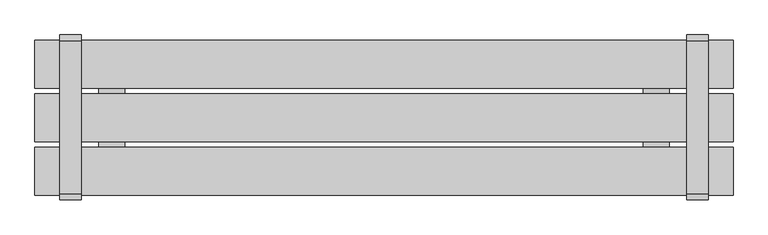
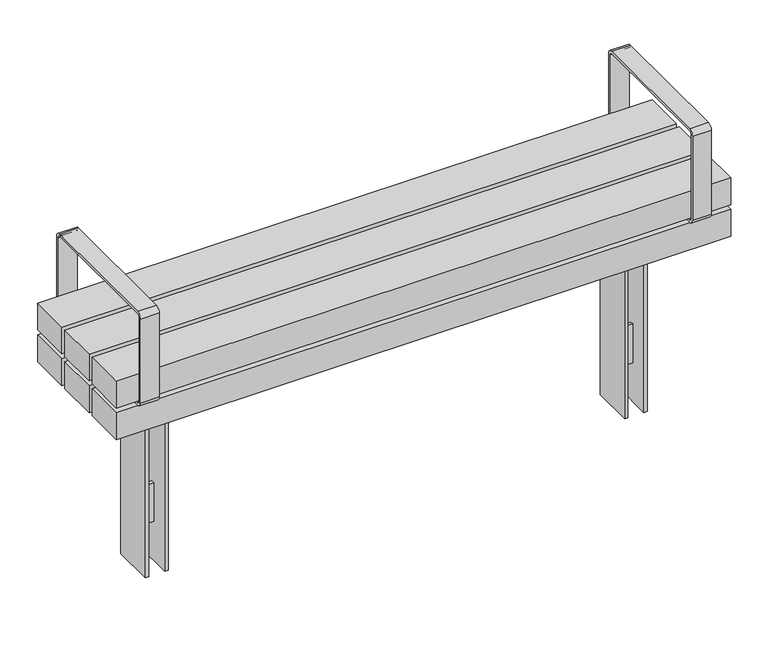
"""IFC4 building model written with IfcOpenShell, lengths in millimetres: furniture geometry."""

from ifc_helpers import new_model, si_unit, point, frame, frame_2d, origin, place, context, project, spatial, polyline, circle_curve, trimmed, segment, composite_curve, outline, extrude, faceted_brep, source, transform, mapped, element, save


def furniture_43c6b12d(model_context):
    return source(origin(), model_context, "Body", "SolidModel", [
        faceted_brep([(-678.5975006, -5.0, -60.0), (-725.6380966, -5.0, -60.0), (-725.6380966, -5.0, -180.0), (-678.5975006, -5.0, -180.0), (-678.5975006, 5.0, -180.0), (-725.6380966, 5.0, -180.0), (-725.6380966, 5.0, -60.0), (-678.5975006, 5.0, -60.0), (-785.6380966, -61.5083224, 258.7167987), (-735.6380966, -61.5083224, 258.7167987), (-735.6380966, -61.5083224, -300.0), (-725.6380966, -61.5083224, -300.0), (-725.6380966, -61.5083224, 268.7167987), (-785.6380966, -61.5083224, 268.7167987), (-618.5975006, -61.5083224, 258.7167987), (-618.5975006, -61.5083224, 268.7167987), (-678.5975006, -61.5083224, 268.7167987), (-678.5975006, -61.5083224, -300.0), (-668.5975006, -61.5083224, -300.0), (-668.5975006, -61.5083224, 258.7167987), (-618.5975006, 61.5083654, 258.7167987), (-668.5975006, 61.5083654, 258.7167987), (-668.5975006, 61.5083654, -300.0), (-678.5975006, 61.5083654, -300.0), (-678.5975006, 61.5083654, 268.7167987), (-618.5975006, 61.5083654, 268.7167987), (-785.6380966, 61.5083654, 258.7167987), (-785.6380966, 61.5083654, 268.7167987), (-725.6380966, 61.5083654, 268.7167987), (-725.6380966, 61.5083654, -300.0), (-735.6380966, 61.5083654, -300.0), (-735.6380966, 61.5083654, 258.7167987)], [[[0, 1, 2, 3]], [[4, 5, 6, 7]], [[1, 0, 7, 6]], [[3, 2, 5, 4]], [[8, 9, 10, 11, 12, 13]], [[14, 15, 16, 17, 18, 19]], [[20, 21, 22, 23, 24, 25]], [[26, 27, 28, 29, 30, 31]], [[9, 8, 26, 31]], [[10, 9, 31, 30]], [[19, 18, 22, 21]], [[14, 19, 21, 20]], [[15, 14, 20, 25]], [[16, 15, 25, 24]], [[17, 16, 24, 23], [0, 3, 4, 7]], [[12, 11, 29, 28], [2, 1, 6, 5]], [[13, 12, 28, 27]], [[8, 13, 27, 26]], [[11, 10, 30, 29]], [[18, 17, 23, 22]]]),
        faceted_brep([(725.6380966, -5.0, -60.0), (678.5975006, -5.0, -60.0), (678.5975006, -5.0, -180.0), (725.6380966, -5.0, -180.0), (725.6380966, 5.0, -180.0), (678.5975006, 5.0, -180.0), (678.5975006, 5.0, -60.0), (725.6380966, 5.0, -60.0), (785.6380966, -61.5083224, 258.7167987), (785.6380966, -61.5083224, 268.7167987), (725.6380966, -61.5083224, 268.7167987), (725.6380966, -61.5083224, -300.0), (735.6380966, -61.5083224, -300.0), (735.6380966, -61.5083224, 258.7167987), (618.5975006, -61.5083224, 258.7167987), (668.5975006, -61.5083224, 258.7167987), (668.5975006, -61.5083224, -300.0), (678.5975006, -61.5083224, -300.0), (678.5975006, -61.5083224, 268.7167987), (618.5975006, -61.5083224, 268.7167987), (785.6380966, 61.5083654, 258.7167987), (735.6380966, 61.5083654, 258.7167987), (735.6380966, 61.5083654, -300.0), (725.6380966, 61.5083654, -300.0), (725.6380966, 61.5083654, 268.7167987), (785.6380966, 61.5083654, 268.7167987), (618.5975006, 61.5083654, 258.7167987), (618.5975006, 61.5083654, 268.7167987), (678.5975006, 61.5083654, 268.7167987), (678.5975006, 61.5083654, -300.0), (668.5975006, 61.5083654, -300.0), (668.5975006, 61.5083654, 258.7167987)], [[[0, 1, 2, 3]], [[4, 5, 6, 7]], [[1, 0, 7, 6]], [[3, 2, 5, 4]], [[8, 9, 10, 11, 12, 13]], [[14, 15, 16, 17, 18, 19]], [[20, 21, 22, 23, 24, 25]], [[26, 27, 28, 29, 30, 31]], [[9, 8, 20, 25]], [[10, 9, 25, 24]], [[11, 10, 24, 23], [0, 3, 4, 7]], [[12, 11, 23, 22]], [[13, 12, 22, 21]], [[8, 13, 21, 20]], [[15, 14, 26, 31]], [[16, 15, 31, 30]], [[17, 16, 30, 29]], [[18, 17, 29, 28], [2, 1, 6, 5]], [[19, 18, 28, 27]], [[14, 19, 27, 26]]]),
        extrude(outline(composite_curve([segment(polyline([(198.4124417, 351.8217453), (-196.5875583, 351.8217453)]), True, "CONTINUOUS"), segment(trimmed(circle_curve(frame_2d((-196.5875583, 366.8217453)), 15.0), [point((-196.5875583, 351.8217453))], [point((-211.5875583, 366.8217453))], False, "CARTESIAN"), True, "CONTINUOUS"), segment(polyline([(-211.5875583, 366.8217453), (-211.5875583, 626.8217453)]), True, "CONTINUOUS"), segment(trimmed(circle_curve(frame_2d((-196.5875583, 626.8217453)), 15.0), [point((-211.5875583, 626.8217453))], [point((-196.5875583, 641.8217453))], False, "CARTESIAN"), True, "CONTINUOUS"), segment(polyline([(-196.5875583, 641.8217453), (198.4124417, 641.8217453)]), True, "CONTINUOUS"), segment(trimmed(circle_curve(frame_2d((198.4124417, 626.8217453)), 15.0), [point((198.4124417, 641.8217453))], [point((213.4124417, 626.8217453))], False, "CARTESIAN"), True, "CONTINUOUS"), segment(polyline([(213.4124417, 626.8217453), (213.4124417, 366.8217453)]), True, "CONTINUOUS"), segment(trimmed(circle_curve(frame_2d((198.4124417, 366.8217453)), 15.0), [point((213.4124417, 366.8217453))], [point((198.4124417, 351.8217453))], False, "CARTESIAN"), True, "CONTINUOUS")], self_intersect=False), holes=[composite_curve([segment(trimmed(circle_curve(frame_2d((-196.5875583, 366.8217453)), 6.5), [point((-203.0875583, 366.8217453))], [point((-196.5875583, 360.3217453))], True, "CARTESIAN"), True, "CONTINUOUS"), segment(polyline([(-196.5875583, 360.3217453), (198.4124417, 360.3217453)]), True, "CONTINUOUS"), segment(trimmed(circle_curve(frame_2d((198.4124417, 366.8217453)), 6.5), [point((198.4124417, 360.3217453))], [point((204.9124417, 366.8217453))], True, "CARTESIAN"), True, "CONTINUOUS"), segment(polyline([(204.9124417, 366.8217453), (204.9124417, 626.8217453)]), True, "CONTINUOUS"), segment(trimmed(circle_curve(frame_2d((198.4124417, 626.8217453)), 6.5), [point((204.9124417, 626.8217453))], [point((198.4124417, 633.3217453))], True, "CARTESIAN"), True, "CONTINUOUS"), segment(polyline([(198.4124417, 633.3217453), (-196.5875583, 633.3217453)]), True, "CONTINUOUS"), segment(trimmed(circle_curve(frame_2d((-196.5875583, 626.8217453)), 6.5), [point((-196.5875583, 633.3217453))], [point((-203.0875583, 626.8217453))], True, "CARTESIAN"), True, "CONTINUOUS"), segment(polyline([(-203.0875583, 626.8217453), (-203.0875583, 366.8217453)]), True, "CONTINUOUS")], self_intersect=False)]), frame((-836.1291871, 0.0, 0.0), z_axis=(1.0, 0.0, 0.0), x_axis=(0.0, 1.0, 0.0)), (0.0, 0.0, 1.0), 55.0),
        extrude(outline(polyline([(351.8217453, 900.0000373), (351.8217453, -900.0), (268.7167987, -900.0), (268.7167987, 900.0000373), (351.8217453, 900.0000373)]), holes=[polyline([(339.8217453, -888.0), (339.8217453, 888.0), (280.7167987, 888.0), (280.7167987, -888.0), (339.8217453, -888.0)])]), frame((0.0, -61.5000218, 0.0), z_axis=(0.0, 1.0, 0.0), x_axis=(0.0, 0.0, 1.0)), (0.0, 0.0, 1.0), 123.0000435),
        extrude(outline(composite_curve([segment(polyline([(198.4124417, 351.8217453), (-196.5875583, 351.8217453)]), True, "CONTINUOUS"), segment(trimmed(circle_curve(frame_2d((-196.5875583, 366.8217453)), 15.0), [point((-196.5875583, 351.8217453))], [point((-211.5875583, 366.8217453))], False, "CARTESIAN"), True, "CONTINUOUS"), segment(polyline([(-211.5875583, 366.8217453), (-211.5875583, 626.8217453)]), True, "CONTINUOUS"), segment(trimmed(circle_curve(frame_2d((-196.5875583, 626.8217453)), 15.0), [point((-211.5875583, 626.8217453))], [point((-196.5875583, 641.8217453))], False, "CARTESIAN"), True, "CONTINUOUS"), segment(polyline([(-196.5875583, 641.8217453), (198.4124417, 641.8217453)]), True, "CONTINUOUS"), segment(trimmed(circle_curve(frame_2d((198.4124417, 626.8217453)), 15.0), [point((198.4124417, 641.8217453))], [point((213.4124417, 626.8217453))], False, "CARTESIAN"), True, "CONTINUOUS"), segment(polyline([(213.4124417, 626.8217453), (213.4124417, 366.8217453)]), True, "CONTINUOUS"), segment(trimmed(circle_curve(frame_2d((198.4124417, 366.8217453)), 15.0), [point((213.4124417, 366.8217453))], [point((198.4124417, 351.8217453))], False, "CARTESIAN"), True, "CONTINUOUS")], self_intersect=False), holes=[composite_curve([segment(trimmed(circle_curve(frame_2d((-196.5875583, 366.8217453)), 6.5), [point((-203.0875583, 366.8217453))], [point((-196.5875583, 360.3217453))], True, "CARTESIAN"), True, "CONTINUOUS"), segment(polyline([(-196.5875583, 360.3217453), (198.4124417, 360.3217453)]), True, "CONTINUOUS"), segment(trimmed(circle_curve(frame_2d((198.4124417, 366.8217453)), 6.5), [point((198.4124417, 360.3217453))], [point((204.9124417, 366.8217453))], True, "CARTESIAN"), True, "CONTINUOUS"), segment(polyline([(204.9124417, 366.8217453), (204.9124417, 626.8217453)]), True, "CONTINUOUS"), segment(trimmed(circle_curve(frame_2d((198.4124417, 626.8217453)), 6.5), [point((204.9124417, 626.8217453))], [point((198.4124417, 633.3217453))], True, "CARTESIAN"), True, "CONTINUOUS"), segment(polyline([(198.4124417, 633.3217453), (-196.5875583, 633.3217453)]), True, "CONTINUOUS"), segment(trimmed(circle_curve(frame_2d((-196.5875583, 626.8217453)), 6.5), [point((-196.5875583, 633.3217453))], [point((-203.0875583, 626.8217453))], True, "CARTESIAN"), True, "CONTINUOUS"), segment(polyline([(-203.0875583, 626.8217453), (-203.0875583, 366.8217453)]), True, "CONTINUOUS")], self_intersect=False)]), frame((781.1291871, 0.0, 0.0), z_axis=(1.0, 0.0, 0.0), x_axis=(0.0, 1.0, 0.0)), (0.0, 0.0, 1.0), 55.0),
        extrude(outline(polyline([(900.0, -76.5174894), (900.0, -199.5174894), (-900.0, -199.5174894), (-900.0, -76.5174894), (900.0, -76.5174894)])), frame((0.0, 0.0, 366.8258682), z_axis=(0.0, 0.0, 1.0), x_axis=(1.0, 0.0, 0.0)), (0.0, 0.0, 1.0), 83.1049466),
        extrude(outline(polyline([(900.0, 61.4888479), (900.0, -61.5111521), (-900.0, -61.5111521), (-900.0, 61.4888479), (900.0, 61.4888479)])), frame((0.0, 0.0, 366.8258682), z_axis=(0.0, 0.0, 1.0), x_axis=(1.0, 0.0, 0.0)), (0.0, 0.0, 1.0), 83.1049466),
        extrude(outline(polyline([(900.0, 199.4999782), (900.0, 76.4999782), (-900.0, 76.4999782), (-900.0, 199.4999782), (900.0, 199.4999782)])), frame((0.0, 0.0, 366.8258682), z_axis=(0.0, 0.0, 1.0), x_axis=(1.0, 0.0, 0.0)), (0.0, 0.0, 1.0), 83.1049466),
        extrude(outline(polyline([(900.0, -76.5174894), (900.0, -199.5174894), (-900.0, -199.5174894), (-900.0, -76.5174894), (900.0, -76.5174894)])), frame((0.0, 0.0, 268.7167987), z_axis=(0.0, 0.0, 1.0), x_axis=(1.0, 0.0, 0.0)), (0.0, 0.0, 1.0), 83.1049466),
        extrude(outline(polyline([(900.0, 199.4999782), (900.0, 76.4999782), (-900.0, 76.4999782), (-900.0, 199.4999782), (900.0, 199.4999782)])), frame((0.0, 0.0, 268.7167987), z_axis=(0.0, 0.0, 1.0), x_axis=(1.0, 0.0, 0.0)), (0.0, 0.0, 1.0), 83.1049466),
        extrude(outline(polyline([(735.4649994, -171.2111197), (668.4244034, -171.2111197), (668.4244034, 168.7288553), (735.4649994, 168.7288553), (735.4649994, -171.2111197)])), frame((0.0, 0.0, 351.8217453), z_axis=(0.0, 0.0, 1.0), x_axis=(1.0, 0.0, 0.0)), (0.0, 0.0, 1.0), 15.004123),
        extrude(outline(polyline([(-668.5975006, -171.2111197), (-735.6380966, -171.2111197), (-735.6380966, 168.7288553), (-668.5975006, 168.7288553), (-668.5975006, -171.2111197)])), frame((0.0, 0.0, 351.8217453), z_axis=(0.0, 0.0, 1.0), x_axis=(1.0, 0.0, 0.0)), (0.0, 0.0, 1.0), 15.004123),
    ])


if __name__ == "__main__":
    model = new_model("IFC4")
    model_context = context("Model", 3, world=origin())
    ifc_project = project(units=[si_unit("LENGTHUNIT", "METRE", prefix="MILLI")], contexts=[model_context])
    site = spatial("IfcSite", under=ifc_project)
    building = spatial("IfcBuilding", under=site)
    placement = place(None, origin())
    furniture_shape = furniture_43c6b12d(model_context)
    element("IfcFurniture", 1, at=placement, inside=building, context=model_context, shape_type="MappedRepresentation", body=[
        mapped(furniture_shape, transform((0.0, 0.0, 0.0), x_axis=(1.0, 0.0, 0.0), y_axis=(0.0, 1.0, 0.0), z_axis=(0.0, 0.0, 1.0))),
    ])
    save(model, "model.ifc")
